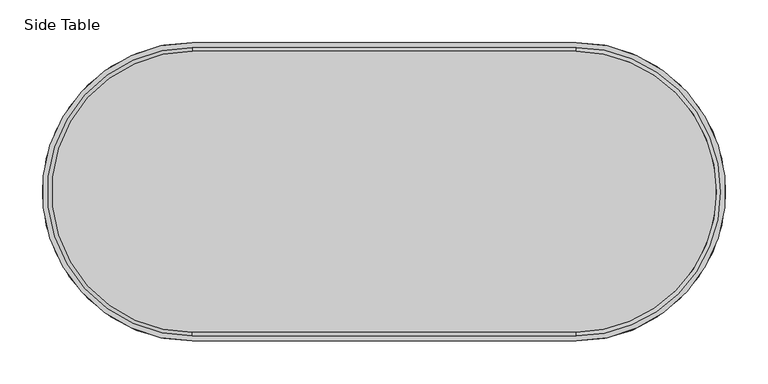
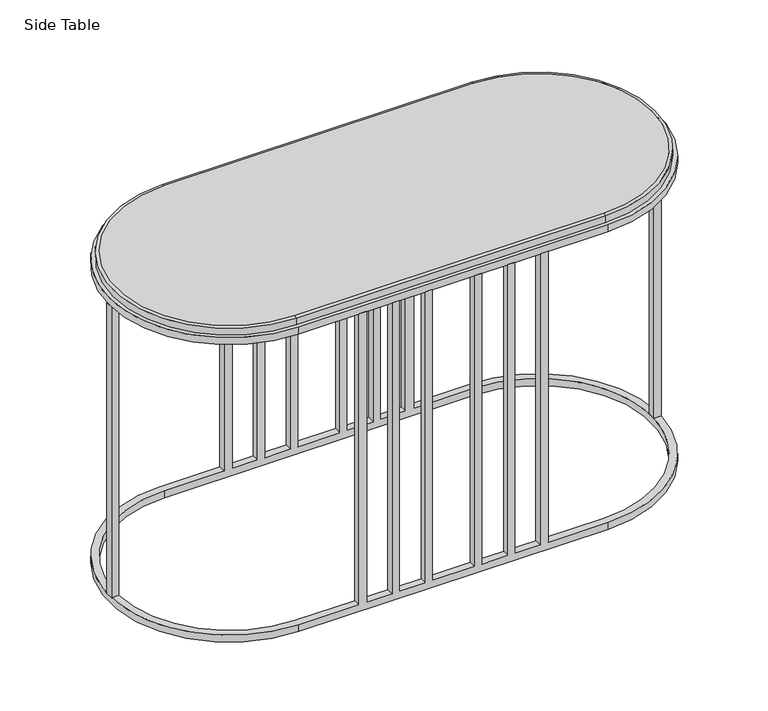
"""IFC4 building model written with IfcOpenShell, lengths in millimetres: furniture geometry, Side Table."""

from ifc_helpers import new_model, si_unit, point, frame, frame_2d, origin, place, context, project, spatial, polyline, circle_curve, trimmed, segment, composite_curve, outline, extrude, source, transform, mapped, element, save
from ifc_brep_helpers import plane_surface, cylinder_surface, revolved_surface, advanced_brep


def side_table_8faf6a61(model_context):
    return source(origin(), model_context, "Body", "SolidModel", [
        advanced_brep(
        [(-136.1407083, 170.7859098, 0.0), (-136.1407083, 520.7979098, 0.0), (-136.1407083, 520.7979098, 10.5058358), (38.7652216, 351.7093183, 10.5058358), (38.7652216, 339.8745013, 10.5058358), (-136.1407083, 170.7859098, 10.5058358), (-136.1407083, 510.2588184, 10.5058358), (-136.1407083, 510.2588184, 0.0), (-136.1407083, 181.3250013, 0.0), (-136.1407083, 181.3250013, 10.5058358), (28.2197136, 339.8745013, 10.5058358), (28.2197136, 351.7093183, 10.5058358), (-223.2734241, 170.7859098, 10.5058358), (-223.2734241, 170.7859098, 458.1544476), (-235.1082411, 170.7859098, 458.1544476), (-235.1082411, 170.7859098, 10.5058358), (-271.7588185, 170.7859098, 10.5058358), (-271.7588185, 170.7859098, 458.1544476), (-282.1706921, 170.7859098, 458.1544476), (-282.1706921, 170.7859098, 10.5058358), (-320.2567031, 170.7859098, 10.5058358), (-320.2567031, 170.7859098, 458.1544476), (-330.3337815, 170.7859098, 458.1544476), (-330.3337815, 170.7859098, 10.5058358), (-391.934035, 170.7859098, 10.5058358), (-391.934035, 170.7859098, 458.1544476), (-402.0111134, 170.7859098, 458.1544476), (-402.0111134, 170.7859098, 10.5058358), (-440.0971245, 170.7859098, 10.5058358), (-440.0971245, 170.7859098, 458.1544476), (-450.508998, 170.7859098, 458.1544476), (-450.508998, 170.7859098, 10.5058358), (-487.1595754, 170.7859098, 10.5058358), (-487.1595754, 170.7859098, 458.1544476), (-498.9943925, 170.7859098, 458.1544476), (-498.9943925, 170.7859098, 10.5058358), (-586.1271083, 170.7859098, 10.5058358), (-586.1271083, 170.7859098, 0.0), (-586.1271083, 181.3250013, 0.0), (-586.1271083, 181.3250013, 10.5058358), (-498.9943925, 181.3250013, 10.5058358), (-498.9943925, 181.3250013, 458.1544476), (-487.1595754, 181.3250013, 458.1544476), (-487.1595754, 181.3250013, 10.5058358), (-450.508998, 181.3250013, 10.5058358), (-450.508998, 181.3250013, 458.1544476), (-440.0971245, 181.3250013, 458.1544476), (-440.0971245, 181.3250013, 10.5058358), (-402.0111134, 181.3250013, 10.5058358), (-402.0111134, 181.3250013, 458.1544476), (-391.934035, 181.3250013, 458.1544476), (-391.934035, 181.3250013, 10.5058358), (-330.3337815, 181.3250013, 10.5058358), (-330.3337815, 181.3250013, 458.1544476), (-320.2567031, 181.3250013, 458.1544476), (-320.2567031, 181.3250013, 10.5058358), (-282.1706921, 181.3250013, 10.5058358), (-282.1706921, 181.3250013, 458.1544476), (-271.7588185, 181.3250013, 458.1544476), (-271.7588185, 181.3250013, 10.5058358), (-235.1082411, 181.3250013, 10.5058358), (-235.1082411, 181.3250013, 458.1544476), (-223.2734241, 181.3250013, 458.1544476), (-223.2734241, 181.3250013, 10.5058358), (-761.0330382, 339.8745013, 10.5058358), (-761.0330382, 351.7093183, 10.5058358), (-586.1271083, 520.7979098, 10.5058358), (-586.1271083, 520.7979098, 0.0), (-586.1271083, 510.2588184, 0.0), (-586.1271083, 510.2588184, 10.5058358), (-750.4875302, 351.7093183, 10.5058358), (-750.4875302, 339.8745013, 10.5058358), (-498.9943925, 520.7979098, 10.5058358), (-498.9943925, 520.7979098, 458.1544476), (-487.1595754, 520.7979098, 458.1544476), (-487.1595754, 520.7979098, 10.5058358), (-450.508998, 520.7979098, 10.5058358), (-450.508998, 520.7979098, 458.1544476), (-440.0971245, 520.7979098, 458.1544476), (-440.0971245, 520.7979098, 10.5058358), (-402.0111134, 520.7979098, 10.5058358), (-402.0111134, 520.7979098, 458.1544476), (-391.934035, 520.7979098, 458.1544476), (-391.934035, 520.7979098, 10.5058358), (-330.3337815, 520.7979098, 10.5058358), (-330.3337815, 520.7979098, 458.1544476), (-320.2567031, 520.7979098, 458.1544476), (-320.2567031, 520.7979098, 10.5058358), (-282.1706921, 520.7979098, 10.5058358), (-282.1706921, 520.7979098, 458.1544476), (-271.7588185, 520.7979098, 458.1544476), (-271.7588185, 520.7979098, 10.5058358), (-235.1082411, 520.7979098, 10.5058358), (-235.1082411, 520.7979098, 458.1544476), (-223.2734241, 520.7979098, 458.1544476), (-223.2734241, 520.7979098, 10.5058358), (-223.2734241, 510.2588184, 10.5058358), (-223.2734241, 510.2588184, 458.1544476), (-235.1082411, 510.2588184, 458.1544476), (-235.1082411, 510.2588184, 10.5058358), (-271.7588185, 510.2588184, 10.5058358), (-271.7588185, 510.2588184, 458.1544476), (-282.1706921, 510.2588184, 458.1544476), (-282.1706921, 510.2588184, 10.5058358), (-320.2567031, 510.2588184, 10.5058358), (-320.2567031, 510.2588184, 458.1544476), (-330.3337815, 510.2588184, 458.1544476), (-330.3337815, 510.2588184, 10.5058358), (-391.934035, 510.2588184, 10.5058358), (-391.934035, 510.2588184, 458.1544476), (-402.0111134, 510.2588184, 458.1544476), (-402.0111134, 510.2588184, 10.5058358), (-440.0971245, 510.2588184, 10.5058358), (-440.0971245, 510.2588184, 458.1544476), (-450.508998, 510.2588184, 458.1544476), (-450.508998, 510.2588184, 10.5058358), (-487.1595754, 510.2588184, 10.5058358), (-487.1595754, 510.2588184, 458.1544476), (-498.9943925, 510.2588184, 458.1544476), (-498.9943925, 510.2588184, 10.5058358), (-761.0330382, 351.7093183, 458.1544476), (-761.0330382, 339.8745013, 458.1544476), (-750.4875302, 339.8745013, 458.1544476), (-750.4875302, 351.7093183, 458.1544476), (38.7652216, 351.7093183, 458.1544476), (28.2197136, 351.7093183, 458.1544476), (28.2197136, 339.8745013, 458.1544476), (38.7652216, 339.8745013, 458.1544476)],
        [
            (0, 1, circle_curve(frame((-136.1407083, 345.7919098, 0.0), z_axis=(0.0, 0.0, 1.0), x_axis=(0.0, 1.0, 0.0)), 175.006)),
            (1, 2),
            (2, 3, circle_curve(frame((-136.1407083, 345.7919098, 10.5058358), z_axis=(0.0, 0.0, -1.0), x_axis=(0.0, 1.0, 0.0)), 175.006)),
            (3, 4, circle_curve(frame((-136.1407083, 345.7919098, 10.5058358), z_axis=(0.0, 0.0, -1.0), x_axis=(0.0, 1.0, 0.0)), 175.006)),
            (4, 5, circle_curve(frame((-136.1407083, 345.7919098, 10.5058358), z_axis=(0.0, 0.0, -1.0), x_axis=(0.0, 1.0, 0.0)), 175.006)),
            (5, 0),
            (6, 7),
            (7, 8, circle_curve(frame((-136.1407083, 345.7919098, 0.0), z_axis=(0.0, 0.0, -1.0), x_axis=(0.0, 1.0, 0.0)), 164.4669086)),
            (8, 9),
            (9, 10, circle_curve(frame((-136.1407083, 345.7919098, 10.5058358), z_axis=(0.0, 0.0, 1.0), x_axis=(0.0, 1.0, 0.0)), 164.4669086)),
            (10, 11, circle_curve(frame((-136.1407083, 345.7919098, 10.5058358), z_axis=(0.0, 0.0, 1.0), x_axis=(0.0, 1.0, 0.0)), 164.4669086)),
            (11, 6, circle_curve(frame((-136.1407083, 345.7919098, 10.5058358), z_axis=(0.0, 0.0, 1.0), x_axis=(0.0, 1.0, 0.0)), 164.4669086)),
            (5, 12),
            (12, 13),
            (13, 14),
            (14, 15),
            (15, 16),
            (16, 17),
            (17, 18),
            (18, 19),
            (19, 20),
            (20, 21),
            (21, 22),
            (22, 23),
            (23, 24),
            (24, 25),
            (25, 26),
            (26, 27),
            (27, 28),
            (28, 29),
            (29, 30),
            (30, 31),
            (31, 32),
            (32, 33),
            (33, 34),
            (34, 35),
            (35, 36),
            (36, 37),
            (37, 0),
            (8, 38),
            (38, 39),
            (39, 40),
            (40, 41),
            (41, 42),
            (42, 43),
            (43, 44),
            (44, 45),
            (45, 46),
            (46, 47),
            (47, 48),
            (48, 49),
            (49, 50),
            (50, 51),
            (51, 52),
            (52, 53),
            (53, 54),
            (54, 55),
            (55, 56),
            (56, 57),
            (57, 58),
            (58, 59),
            (59, 60),
            (60, 61),
            (61, 62),
            (62, 63),
            (63, 9),
            (36, 64, circle_curve(frame((-586.1271083, 345.7919098, 10.5058358), z_axis=(0.0, 0.0, -1.0), x_axis=(0.0, -1.0, 0.0)), 175.006)),
            (64, 65, circle_curve(frame((-586.1271083, 345.7919098, 10.5058358), z_axis=(0.0, 0.0, -1.0), x_axis=(0.0, -1.0, 0.0)), 175.006)),
            (65, 66, circle_curve(frame((-586.1271083, 345.7919098, 10.5058358), z_axis=(0.0, 0.0, -1.0), x_axis=(0.0, -1.0, 0.0)), 175.006)),
            (66, 67),
            (67, 37, circle_curve(frame((-586.1271083, 345.7919098, 0.0), z_axis=(0.0, 0.0, 1.0), x_axis=(0.0, -1.0, 0.0)), 175.006)),
            (38, 68, circle_curve(frame((-586.1271083, 345.7919098, 0.0), z_axis=(0.0, 0.0, -1.0), x_axis=(0.0, -1.0, 0.0)), 164.4669086)),
            (68, 69),
            (69, 70, circle_curve(frame((-586.1271083, 345.7919098, 10.5058358), z_axis=(0.0, 0.0, 1.0), x_axis=(0.0, -1.0, 0.0)), 164.4669086)),
            (70, 71, circle_curve(frame((-586.1271083, 345.7919098, 10.5058358), z_axis=(0.0, 0.0, 1.0), x_axis=(0.0, -1.0, 0.0)), 164.4669086)),
            (71, 39, circle_curve(frame((-586.1271083, 345.7919098, 10.5058358), z_axis=(0.0, 0.0, 1.0), x_axis=(0.0, -1.0, 0.0)), 164.4669086)),
            (1, 67),
            (66, 72),
            (72, 73),
            (73, 74),
            (74, 75),
            (75, 76),
            (76, 77),
            (77, 78),
            (78, 79),
            (79, 80),
            (80, 81),
            (81, 82),
            (82, 83),
            (83, 84),
            (84, 85),
            (85, 86),
            (86, 87),
            (87, 88),
            (88, 89),
            (89, 90),
            (90, 91),
            (91, 92),
            (92, 93),
            (93, 94),
            (94, 95),
            (95, 2),
            (7, 68),
            (6, 96),
            (96, 97),
            (97, 98),
            (98, 99),
            (99, 100),
            (100, 101),
            (101, 102),
            (102, 103),
            (103, 104),
            (104, 105),
            (105, 106),
            (106, 107),
            (107, 108),
            (108, 109),
            (109, 110),
            (110, 111),
            (111, 112),
            (112, 113),
            (113, 114),
            (114, 115),
            (115, 116),
            (116, 117),
            (117, 118),
            (118, 119),
            (119, 69),
            (95, 96),
            (11, 3),
            (4, 10),
            (63, 12),
            (15, 60),
            (59, 16),
            (19, 56),
            (55, 20),
            (23, 52),
            (51, 24),
            (27, 48),
            (47, 28),
            (31, 44),
            (43, 32),
            (35, 40),
            (71, 64),
            (65, 70),
            (119, 72),
            (75, 116),
            (115, 76),
            (79, 112),
            (111, 80),
            (83, 108),
            (107, 84),
            (87, 104),
            (103, 88),
            (91, 100),
            (99, 92),
            (25, 50),
            (49, 26),
            (29, 46),
            (45, 30),
            (33, 42),
            (41, 34),
            (85, 106),
            (105, 86),
            (89, 102),
            (101, 90),
            (93, 98),
            (97, 94),
            (73, 118),
            (117, 74),
            (77, 114),
            (113, 78),
            (81, 110),
            (109, 82),
            (13, 62),
            (61, 14),
            (17, 58),
            (57, 18),
            (21, 54),
            (53, 22),
            (120, 121, circle_curve(frame((-586.1271083, 345.7919098, 458.1544476), z_axis=(0.0, 0.0, 1.0), x_axis=(1.0, 0.0, 0.0)), 175.006)),
            (121, 122),
            (122, 123, circle_curve(frame((-586.1271083, 345.7919098, 458.1544476), z_axis=(0.0, 0.0, -1.0), x_axis=(1.0, 0.0, 0.0)), 164.4669086)),
            (123, 120),
            (124, 125),
            (125, 126, circle_curve(frame((-136.1407083, 345.7919098, 458.1544476), z_axis=(0.0, 0.0, -1.0), x_axis=(1.0, 0.0, 0.0)), 164.4669086)),
            (126, 127),
            (127, 124, circle_curve(frame((-136.1407083, 345.7919098, 458.1544476), z_axis=(0.0, 0.0, 1.0), x_axis=(1.0, 0.0, 0.0)), 175.006)),
            (120, 65),
            (64, 121),
            (71, 122),
            (70, 123),
            (124, 3),
            (11, 125),
            (10, 126),
            (4, 127),
        ],
        [
            cylinder_surface(frame((-136.1407083, 345.7919098, 0.0), z_axis=(0.0, 0.0, -1.0), x_axis=(0.0, 1.0, 0.0)), 175.006),
            revolved_surface(polyline([(-136.1407083, 510.2588184, 0.0), (-136.1407083, 510.2588184, 10.5058358)]), (-136.1407083, 345.7919098, 0.0), (0.0, 0.0, -1.0)),
            plane_surface(frame((-136.1407083, 170.7859098, 10.5058358), z_axis=(0.0, -1.0, 0.0), x_axis=(-1.0, 0.0, 0.0))),
            plane_surface(frame((-136.1407083, 181.3250013, 0.0), z_axis=(0.0, 1.0, 0.0), x_axis=(-1.0, 0.0, 0.0))),
            cylinder_surface(frame((-586.1271083, 345.7919098, 0.0), z_axis=(0.0, 0.0, -1.0), x_axis=(0.0, -1.0, 0.0)), 175.006),
            revolved_surface(polyline([(-586.1271083, 181.32500119999997, 0.0), (-586.1271083, 181.32500119999997, 10.5058358)]), (-586.1271083, 345.7919098, 0.0), (0.0, 0.0, -1.0)),
            plane_surface(frame((-586.1271083, 520.7979098, 10.5058358), z_axis=(0.0, 1.0, 0.0), x_axis=(1.0, 0.0, 0.0))),
            plane_surface(frame((-586.1271083, 520.7979098, 0.0), z_axis=(0.0, 0.0, -1.0), x_axis=(1.0, 0.0, 0.0))),
            plane_surface(frame((-586.1271083, 510.2588184, 0.0), z_axis=(0.0, -1.0, 0.0), x_axis=(1.0, 0.0, 0.0))),
            plane_surface(frame((-586.1271083, 510.2588184, 10.5058358), z_axis=(0.0, 0.0, 1.0), x_axis=(1.0, 0.0, 0.0))),
            plane_surface(frame((-235.1082411, 520.7979098, 458.1544476), z_axis=(0.0, 0.0, 1.0), x_axis=(-1.0, 0.0, 0.0))),
            plane_surface(frame((-235.1082411, 520.7979098, 458.1544476), z_axis=(-1.0, 0.0, 0.0), x_axis=(0.0, 0.0, -1.0))),
            plane_surface(frame((-223.2734241, 510.2588184, 458.1544476), z_axis=(1.0, 0.0, 0.0), x_axis=(0.0, 0.0, -1.0))),
            plane_surface(frame((-282.1706921, 520.7979098, 458.1544476), z_axis=(-1.0, 0.0, 0.0), x_axis=(0.0, 0.0, -1.0))),
            plane_surface(frame((-271.7588185, 510.2588184, 458.1544476), z_axis=(1.0, 0.0, 0.0), x_axis=(0.0, 0.0, -1.0))),
            plane_surface(frame((-330.3337815, 520.7979098, 458.1544476), z_axis=(-1.0, 0.0, 0.0), x_axis=(0.0, 0.0, -1.0))),
            plane_surface(frame((-320.2567031, 510.2588184, 458.1544476), z_axis=(1.0, 0.0, 0.0), x_axis=(0.0, 0.0, -1.0))),
            plane_surface(frame((-498.9943925, 520.7979098, 458.1544476), z_axis=(-1.0, 0.0, 0.0), x_axis=(0.0, 0.0, -1.0))),
            plane_surface(frame((-487.1595754, 510.2588184, 458.1544476), z_axis=(1.0, 0.0, 0.0), x_axis=(0.0, 0.0, -1.0))),
            plane_surface(frame((-450.508998, 520.7979098, 458.1544476), z_axis=(-1.0, 0.0, 0.0), x_axis=(0.0, 0.0, -1.0))),
            plane_surface(frame((-440.0971245, 510.2588184, 458.1544476), z_axis=(1.0, 0.0, 0.0), x_axis=(0.0, 0.0, -1.0))),
            plane_surface(frame((-402.0111134, 520.7979098, 458.1544476), z_axis=(-1.0, 0.0, 0.0), x_axis=(0.0, 0.0, -1.0))),
            plane_surface(frame((-391.934035, 510.2588184, 458.1544476), z_axis=(1.0, 0.0, 0.0), x_axis=(0.0, 0.0, -1.0))),
            plane_surface(frame((-223.2734241, 170.7859098, 458.1544476), z_axis=(1.0, 0.0, 0.0), x_axis=(0.0, 0.0, -1.0))),
            plane_surface(frame((-235.1082411, 181.3250013, 458.1544476), z_axis=(-1.0, 0.0, 0.0), x_axis=(0.0, 0.0, -1.0))),
            plane_surface(frame((-271.7588185, 170.7859098, 458.1544476), z_axis=(1.0, 0.0, 0.0), x_axis=(0.0, 0.0, -1.0))),
            plane_surface(frame((-282.1706921, 181.3250013, 458.1544476), z_axis=(-1.0, 0.0, 0.0), x_axis=(0.0, 0.0, -1.0))),
            plane_surface(frame((-320.2567031, 170.7859098, 458.1544476), z_axis=(1.0, 0.0, 0.0), x_axis=(0.0, 0.0, -1.0))),
            plane_surface(frame((-330.3337815, 181.3250013, 458.1544476), z_axis=(-1.0, 0.0, 0.0), x_axis=(0.0, 0.0, -1.0))),
            plane_surface(frame((-487.1595754, 170.7859098, 458.1544476), z_axis=(1.0, 0.0, 0.0), x_axis=(0.0, 0.0, -1.0))),
            plane_surface(frame((-498.9943925, 181.3250013, 458.1544476), z_axis=(-1.0, 0.0, 0.0), x_axis=(0.0, 0.0, -1.0))),
            plane_surface(frame((-440.0971245, 170.7859098, 458.1544476), z_axis=(1.0, 0.0, 0.0), x_axis=(0.0, 0.0, -1.0))),
            plane_surface(frame((-450.508998, 181.3250013, 458.1544476), z_axis=(-1.0, 0.0, 0.0), x_axis=(0.0, 0.0, -1.0))),
            plane_surface(frame((-391.934035, 170.7859098, 458.1544476), z_axis=(1.0, 0.0, 0.0), x_axis=(0.0, 0.0, -1.0))),
            plane_surface(frame((-402.0111134, 181.3250013, 458.1544476), z_axis=(-1.0, 0.0, 0.0), x_axis=(0.0, 0.0, -1.0))),
            cylinder_surface(frame((-586.1271083, 345.7919098, 0.0), z_axis=(0.0, 0.0, 1.0), x_axis=(1.0, 0.0, 0.0)), 175.006),
            plane_surface(frame((-761.0330382, 339.8745013, 458.1544476), z_axis=(0.0, -1.0, 0.0), x_axis=(0.0, 0.0, -1.0))),
            revolved_surface(polyline([(-421.6601997, 345.7919098, 10.5058358), (-421.6601997, 345.7919098, 458.1544476)]), (-586.1271083, 345.7919098, 0.0), (0.0, 0.0, -1.0)),
            plane_surface(frame((-750.4875302, 351.7093183, 458.1544476), z_axis=(0.0, 1.0, 0.0), x_axis=(0.0, 0.0, -1.0))),
            plane_surface(frame((38.7652216, 351.7093183, 458.1544476), z_axis=(0.0, 1.0, 0.0), x_axis=(0.0, 0.0, -1.0))),
            revolved_surface(polyline([(28.32620030000001, 345.7919098, 10.5058358), (28.32620030000001, 345.7919098, 458.1544476)]), (-136.1407083, 345.7919098, 0.0), (0.0, 0.0, -1.0)),
            plane_surface(frame((28.2197136, 339.8745013, 458.1544476), z_axis=(0.0, -1.0, 0.0), x_axis=(0.0, 0.0, -1.0))),
            cylinder_surface(frame((-136.1407083, 345.7919098, 0.0), z_axis=(0.0, 0.0, 1.0), x_axis=(1.0, 0.0, 0.0)), 175.006),
        ],
        [
            (0, [[1, 2, 3, 4, 5, 6]]),
            (1, [[7, 8, 9, 10, 11, 12]]),
            (2, [[-6, 13, 14, 15, 16, 17, 18, 19, 20, 21, 22, 23, 24, 25, 26, 27, 28, 29, 30, 31, 32, 33, 34, 35, 36, 37, 38, 39]]),
            (3, [[-9, 40, 41, 42, 43, 44, 45, 46, 47, 48, 49, 50, 51, 52, 53, 54, 55, 56, 57, 58, 59, 60, 61, 62, 63, 64, 65, 66]]),
            (4, [[-38, 67, 68, 69, 70, 71]]),
            (5, [[-41, 72, 73, 74, 75, 76]]),
            (6, [[-2, 77, -70, 78, 79, 80, 81, 82, 83, 84, 85, 86, 87, 88, 89, 90, 91, 92, 93, 94, 95, 96, 97, 98, 99, 100, 101, 102]]),
            (7, [[-1, -39, -71, -77], [-8, 103, -72, -40]]),
            (8, [[-7, 104, 105, 106, 107, 108, 109, 110, 111, 112, 113, 114, 115, 116, 117, 118, 119, 120, 121, 122, 123, 124, 125, 126, 127, 128, -73, -103]]),
            (9, [[-3, -102, 129, -104, -12, 130]]),
            (9, [[-5, 131, -10, -66, 132, -13]]),
            (9, [[-17, 133, -62, 134]]),
            (9, [[-21, 135, -58, 136]]),
            (9, [[-25, 137, -54, 138]]),
            (9, [[-29, 139, -50, 140]]),
            (9, [[-33, 141, -46, 142]]),
            (9, [[-37, 143, -42, -76, 144, -67]]),
            (9, [[-69, 145, -74, -128, 146, -78]]),
            (9, [[-82, 147, -124, 148]]),
            (9, [[-86, 149, -120, 150]]),
            (9, [[-90, 151, -116, 152]]),
            (9, [[-94, 153, -112, 154]]),
            (9, [[-98, 155, -108, 156]]),
            (10, [[-27, 157, -52, 158]]),
            (10, [[-31, 159, -48, 160]]),
            (10, [[-35, 161, -44, 162]]),
            (10, [[-92, 163, -114, 164]]),
            (10, [[-96, 165, -110, 166]]),
            (10, [[-100, 167, -106, 168]]),
            (10, [[169, -126, 170, -80]]),
            (10, [[171, -122, 172, -84]]),
            (10, [[173, -118, 174, -88]]),
            (10, [[175, -64, 176, -15]]),
            (10, [[177, -60, 178, -19]]),
            (10, [[179, -56, 180, -23]]),
            (10, [[181, 182, 183, 184]]),
            (10, [[185, 186, 187, 188]]),
            (11, [[-167, -99, -156, -107]]),
            (12, [[-168, -105, -129, -101]]),
            (13, [[-165, -95, -154, -111]]),
            (14, [[-166, -109, -155, -97]]),
            (15, [[-163, -91, -152, -115]]),
            (16, [[-164, -113, -153, -93]]),
            (17, [[-169, -79, -146, -127]]),
            (18, [[-170, -125, -147, -81]]),
            (19, [[-171, -83, -148, -123]]),
            (20, [[-172, -121, -149, -85]]),
            (21, [[-173, -87, -150, -119]]),
            (22, [[-174, -117, -151, -89]]),
            (23, [[-175, -14, -132, -65]]),
            (24, [[-176, -63, -133, -16]]),
            (25, [[-177, -18, -134, -61]]),
            (26, [[-178, -59, -135, -20]]),
            (27, [[-179, -22, -136, -57]]),
            (28, [[-180, -55, -137, -24]]),
            (29, [[-161, -34, -142, -45]]),
            (30, [[-162, -43, -143, -36]]),
            (31, [[-159, -30, -140, -49]]),
            (32, [[-160, -47, -141, -32]]),
            (33, [[-157, -26, -138, -53]]),
            (34, [[-158, -51, -139, -28]]),
            (35, [[-181, 189, -68, 190]]),
            (36, [[-182, -190, -144, 191]]),
            (37, [[-183, -191, -75, 192]]),
            (38, [[-184, -192, -145, -189]]),
            (39, [[-185, 193, -130, 194]]),
            (40, [[-186, -194, -11, 195]]),
            (41, [[-187, -195, -131, 196]]),
            (42, [[-188, -196, -4, -193]]),
        ],
    ),
        advanced_brep(
        [(-136.1407083, 176.6823522, 468.6602834), (-586.1271083, 176.6823522, 468.6602834), (-586.1271083, 514.9014674, 468.6602834), (-136.1407083, 514.9014674, 468.6602834), (-136.1407083, 176.6823522, 479.0017761), (-136.1407083, 514.9014674, 479.0017761), (-136.1407083, 510.6271644, 479.9986629), (-136.1407083, 180.9566553, 479.9986629), (-586.1271083, 180.9566553, 479.9986629), (-586.1271083, 176.6823522, 479.0017761), (-586.1271083, 510.6271644, 479.9986629), (-586.1271083, 514.9014674, 479.0017761)],
        [
            (0, 1),
            (1, 2, circle_curve(frame((-586.1271083, 345.7919098, 468.6602834), z_axis=(0.0, 0.0, -1.0), x_axis=(0.0, -1.0, 0.0)), 169.1095576)),
            (2, 3),
            (3, 0, circle_curve(frame((-136.1407083, 345.7919098, 468.6602834), z_axis=(0.0, 0.0, -1.0), x_axis=(0.0, 1.0, 0.0)), 169.1095576)),
            (4, 5, circle_curve(frame((-136.1407083, 345.7919098, 479.0017761), z_axis=(0.0, 0.0, 1.0), x_axis=(0.0, 1.0, 0.0)), 169.1095576)),
            (5, 6),
            (6, 7, circle_curve(frame((-136.1407083, 345.7919098, 479.9986629), z_axis=(0.0, 0.0, -1.0), x_axis=(0.0, 1.0, 0.0)), 164.8352545)),
            (7, 4),
            (3, 5),
            (4, 0),
            (7, 8),
            (8, 9),
            (9, 4),
            (9, 1),
            (8, 10, circle_curve(frame((-586.1271083, 345.7919098, 479.9986629), z_axis=(0.0, 0.0, -1.0), x_axis=(0.0, -1.0, 0.0)), 164.8352545)),
            (10, 11),
            (11, 9, circle_curve(frame((-586.1271083, 345.7919098, 479.0017761), z_axis=(0.0, 0.0, 1.0), x_axis=(0.0, -1.0, 0.0)), 169.1095576)),
            (11, 2),
            (6, 10),
            (5, 11),
        ],
        [
            plane_surface(frame((-586.1271083, 514.9014674, 468.6602834), z_axis=(0.0, 0.0, -1.0), x_axis=(1.0, 0.0, 0.0))),
            revolved_surface(polyline([(-136.1407083, 510.6271644, 479.9986629), (-136.1407083, 514.9014674, 479.0017761)]), (-136.1407083, 345.7919098, 0.0), (0.0, 0.0, -1.0)),
            cylinder_surface(frame((-136.1407083, 345.7919098, 0.0), z_axis=(0.0, 0.0, -1.0), x_axis=(0.0, 1.0, 0.0)), 169.1095576),
            plane_surface(frame((-136.1407083, 180.9566553, 479.9986629), z_axis=(0.0, -0.22713225997557204, 0.9738639209244735), x_axis=(-1.0, 0.0, 0.0))),
            plane_surface(frame((-136.1407083, 176.6823522, 479.0017761), z_axis=(0.0, -1.0, 0.0), x_axis=(-1.0, 0.0, 0.0))),
            revolved_surface(polyline([(-586.1271083, 180.9566553, 479.9986629), (-586.1271083, 176.6823522, 479.0017761)]), (-586.1271083, 345.7919098, 0.0), (0.0, 0.0, -1.0)),
            cylinder_surface(frame((-586.1271083, 345.7919098, 0.0), z_axis=(0.0, 0.0, -1.0), x_axis=(0.0, -1.0, 0.0)), 169.1095576),
            plane_surface(frame((-586.1271083, 508.9888184, 479.9986629), z_axis=(0.0, 0.0, 1.0), x_axis=(1.0, 0.0, 0.0))),
            plane_surface(frame((-586.1271083, 510.6271644, 479.9986629), z_axis=(0.0, 0.22713225997557204, 0.9738639209244735), x_axis=(1.0, 0.0, 0.0))),
            plane_surface(frame((-586.1271083, 514.9014674, 479.0017761), z_axis=(0.0, 1.0, 0.0), x_axis=(1.0, 0.0, 0.0))),
        ],
        [
            (0, [[1, 2, 3, 4]]),
            (1, [[5, 6, 7, 8]]),
            (2, [[-4, 9, -5, 10]]),
            (3, [[-8, 11, 12, 13]]),
            (4, [[-1, -10, -13, 14]]),
            (5, [[-12, 15, 16, 17]]),
            (6, [[-2, -14, -17, 18]]),
            (7, [[-7, 19, -15, -11]]),
            (8, [[-6, 20, -16, -19]]),
            (9, [[-3, -18, -20, -9]]),
        ],
    ),
        extrude(outline(composite_curve([segment(polyline([(-136.1407083, 170.7859098), (-586.1271083, 170.7859098)]), True, "CONTINUOUS"), segment(trimmed(circle_curve(frame_2d((-586.1271083, 345.7919098)), 175.006), [point((-586.1271083, 170.7859098))], [point((-586.1271083, 520.7979098))], False, "CARTESIAN"), True, "CONTINUOUS"), segment(polyline([(-586.1271083, 520.7979098), (-136.1407083, 520.7979098)]), True, "CONTINUOUS"), segment(trimmed(circle_curve(frame_2d((-136.1407083, 345.7919098)), 175.006), [point((-136.1407083, 520.7979098))], [point((-136.1407083, 170.7859098))], False, "CARTESIAN"), True, "CONTINUOUS")], self_intersect=False), holes=[composite_curve([segment(polyline([(-136.1407083, 510.2588184), (-586.1271083, 510.2588184)]), True, "CONTINUOUS"), segment(trimmed(circle_curve(frame_2d((-586.1271083, 345.7919098)), 164.4669086), [point((-586.1271083, 510.2588184))], [point((-586.1271083, 181.3250013))], True, "CARTESIAN"), True, "CONTINUOUS"), segment(polyline([(-586.1271083, 181.3250013), (-136.1407083, 181.3250013)]), True, "CONTINUOUS"), segment(trimmed(circle_curve(frame_2d((-136.1407083, 345.7919098)), 164.4669086), [point((-136.1407083, 181.3250013))], [point((-136.1407083, 510.2588184))], True, "CARTESIAN"), True, "CONTINUOUS")], self_intersect=False)]), frame((0.0, 0.0, 458.1544476), z_axis=(0.0, 0.0, 1.0), x_axis=(1.0, 0.0, 0.0)), (0.0, 0.0, 1.0), 10.5058358),
    ])


if __name__ == "__main__":
    model = new_model("IFC4")
    model_context = context("Model", 3, world=origin())
    ifc_project = project(units=[si_unit("LENGTHUNIT", "METRE", prefix="MILLI")], contexts=[model_context])
    site = spatial("IfcSite", under=ifc_project)
    building = spatial("IfcBuilding", under=site)
    placement = place(None, origin())
    side_table_shape = side_table_8faf6a61(model_context)
    element("IfcFurniture", 1, ObjectType="Side Table", at=placement, inside=building, context=model_context, shape_type="MappedRepresentation", body=[
        mapped(side_table_shape, transform((0.0, 0.0, 0.0), x_axis=(1.0, 0.0, 0.0), y_axis=(0.0, 1.0, 0.0), z_axis=(0.0, 0.0, 1.0))),
    ])
    save(model, "model.ifc")
